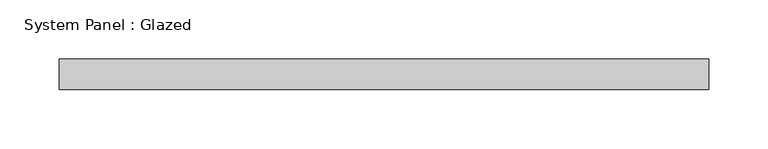
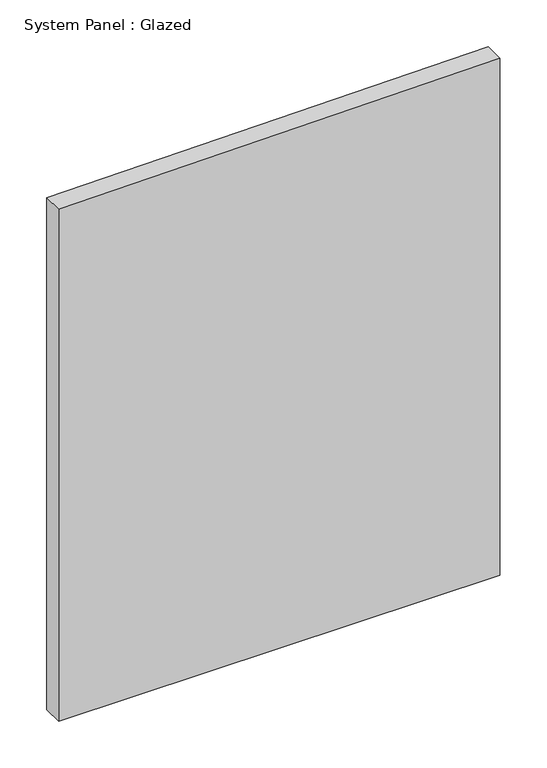
"""IFC4 building model written with IfcOpenShell, lengths in millimetres: plate geometry, System Panel : Glazed."""

from ifc_helpers import new_model, si_unit, frame, origin, place, context, project, spatial, polyline, outline, extrude, source, transform, mapped, element, save


def system_panel_glazed_230b24cf(model_context):
    return source(origin(), model_context, "Body", "SweptSolid", [
        extrude(outline(polyline([(0.0, -273.05), (0.0, 273.05), (675.978735, 273.05), (669.6769486, -273.05), (0.0, -273.05)])), frame((0.0, 19.05, 0.0), z_axis=(0.0, 1.0, 0.0), x_axis=(0.0, 0.0, 1.0)), (0.0, 0.0, 1.0), 25.4),
    ])


if __name__ == "__main__":
    model = new_model("IFC4")
    model_context = context("Model", 3, world=origin())
    ifc_project = project(units=[si_unit("LENGTHUNIT", "METRE", prefix="MILLI")], contexts=[model_context])
    site = spatial("IfcSite", under=ifc_project)
    building = spatial("IfcBuilding", under=site)
    placement = place(None, origin())
    system_panel_glazed_shape = system_panel_glazed_230b24cf(model_context)
    element("IfcPlate", 1, ObjectType="System Panel : Glazed", at=placement, inside=building, context=model_context, shape_type="MappedRepresentation", body=[
        mapped(system_panel_glazed_shape, transform((0.0, 0.0, 0.0), x_axis=(1.0, 0.0, 0.0), y_axis=(0.0, 1.0, 0.0), z_axis=(0.0, 0.0, 1.0))),
    ])
    save(model, "model.ifc")
